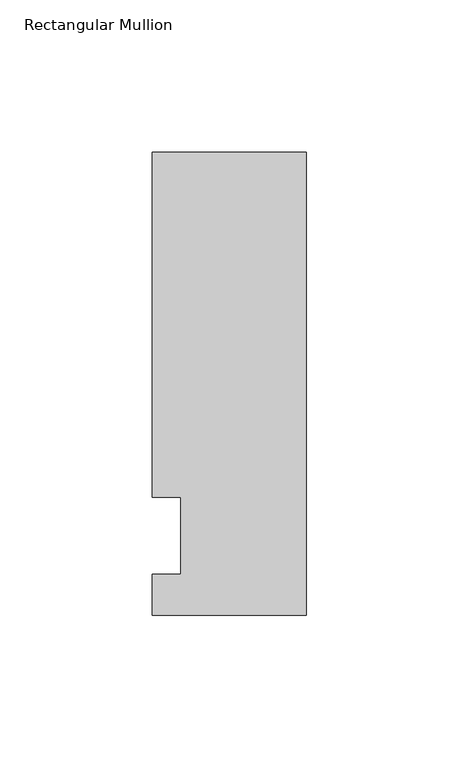
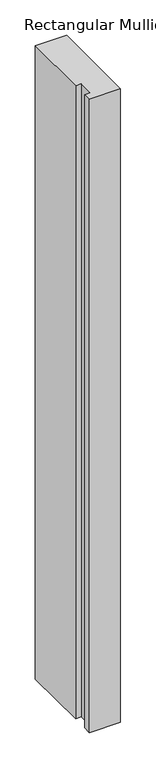
"""IFC4 building model written with IfcOpenShell, lengths in millimetres: member geometry, Rectangular Mullion."""

import ifcopenshell
import ifcopenshell.guid

model = None  # the IFC model being written
_history = None  # IfcOwnerHistory: only IFC2X3 demands one
_inside = {}  # id of a spatial element -> (the spatial element, [elements in it])
_under = {}  # id of a project, library or spatial element -> (it, [spatial elements below it])
_declared = {}  # id of a project -> (the project, [libraries it declares])
_typed = {}  # id of a type object -> (the type object, [elements of that type])
_made_of = {}  # id of a material, layer set ... -> (it, [elements and type objects made of it])


def new_model(schema):
    """Start an empty IFC model of exactly this schema.

    Asked for "IFC4X3", IfcOpenShell would pick the latest addendum, in which some entities
    have other attributes; the version numbers below select the first issue.
    IFC2X3 requires an IfcOwnerHistory on every rooted entity: one is made here for all.
    """
    global model, _history
    if schema == "IFC4X3":
        model = ifcopenshell.file(schema_version=(4, 3, 0, 0))
    else:
        model = ifcopenshell.file(schema=schema)
    _inside.clear()
    _under.clear()
    _declared.clear()
    _typed.clear()
    _made_of.clear()
    _history = None
    if model.schema == "IFC2X3":
        org = make("IfcOrganization", Name="unknown")
        user = make(
            "IfcPersonAndOrganization",
            ThePerson=make("IfcPerson", FamilyName="unknown"),
            TheOrganization=org,
        )
        app = make(
            "IfcApplication",
            ApplicationDeveloper=org,
            Version="unknown",
            ApplicationFullName="unknown",
            ApplicationIdentifier="unknown",
        )
        _history = make(
            "IfcOwnerHistory",
            OwningUser=user,
            OwningApplication=app,
            ChangeAction="ADDED",
            CreationDate=0,
        )
    return model


def make(cls, **values):
    """One entity of the class cls with the attributes given. An attribute that is None is left unset."""
    return model.create_entity(
        cls, **{name: value for name, value in values.items() if value is not None}
    )


def rooted(cls, **values):
    """An entity with a GlobalId (a new one), such as an element, a storey or a relation."""
    return make(cls, GlobalId=ifcopenshell.guid.new(), OwnerHistory=_history, **values)


def si_unit(unit_type, name, prefix=None):
    """IfcSIUnit, for example si_unit("LENGTHUNIT", "METRE", prefix="MILLI")."""
    return make("IfcSIUnit", UnitType=unit_type, Prefix=prefix, Name=name)


def assignment(units):
    """IfcUnitAssignment: the units of a project."""
    return None if units is None else make("IfcUnitAssignment", Units=units)


def point(xyz):
    """IfcCartesianPoint."""
    return None if xyz is None else make("IfcCartesianPoint", Coordinates=xyz)


def direction(xyz):
    """IfcDirection."""
    return None if xyz is None else make("IfcDirection", DirectionRatios=xyz)


def frame(location, z_axis=None, x_axis=None):
    """IfcAxis2Placement3D, a coordinate frame: its origin and axes. An axis left out is left unset."""
    return make(
        "IfcAxis2Placement3D",
        Location=point(location),
        Axis=direction(z_axis),
        RefDirection=direction(x_axis),
    )


def origin():
    """The frame at (0, 0, 0) with its axes left unset."""
    return frame((0.0, 0.0, 0.0))


def place(relative_to, where):
    """IfcLocalPlacement: puts the frame where relative to a parent placement (None: the world)."""
    return make(
        "IfcLocalPlacement", PlacementRelTo=relative_to, RelativePlacement=where
    )


def context(
    kind, dimensions, precision=None, world=None, true_north=None, identifier=None
):
    """IfcGeometricRepresentationContext, for example the 3D "Model" context."""
    return make(
        "IfcGeometricRepresentationContext",
        ContextIdentifier=identifier,
        ContextType=kind,
        CoordinateSpaceDimension=dimensions,
        Precision=precision,
        WorldCoordinateSystem=world,
        TrueNorth=true_north,
    )


def project(units=None, contexts=None):
    """IfcProject with its units and contexts."""
    return rooted(
        "IfcProject",
        Name="project",
        RepresentationContexts=contexts,
        UnitsInContext=assignment(units),
    )


def spatial(cls, under=None, at=None, **own):
    """A site, building, storey or space (cls), placed at a placement, below another one or the project."""
    s = rooted(cls, ObjectPlacement=at, **own)
    if under is not None:
        _under.setdefault(under.id(), (under, []))[1].append(s)
    return s


def polyline(points):
    """IfcPolyline through the points."""
    return make("IfcPolyline", Points=[point(p) for p in points])


def outline(outer, holes=None, kind="AREA"):
    """IfcArbitraryClosedProfileDef: a profile drawn as a closed curve; with holes, ...WithVoids."""
    if holes is None:
        return make("IfcArbitraryClosedProfileDef", ProfileType=kind, OuterCurve=outer)
    return make(
        "IfcArbitraryProfileDefWithVoids",
        ProfileType=kind,
        OuterCurve=outer,
        InnerCurves=holes,
    )


def extrude(swept, where, along, depth):
    """IfcExtrudedAreaSolid: the profile swept, set in the frame where, extruded along a direction by depth."""
    return make(
        "IfcExtrudedAreaSolid",
        SweptArea=swept,
        Position=where,
        ExtrudedDirection=direction(along),
        Depth=depth,
    )


def shape(context_of_items, identifier, shape_type, items):
    """IfcShapeRepresentation: the items that make up one representation, for example the "Body"."""
    return make(
        "IfcShapeRepresentation",
        ContextOfItems=context_of_items,
        RepresentationIdentifier=identifier,
        RepresentationType=shape_type,
        Items=items,
    )


def source(mapping_origin, context_of_items, identifier, shape_type, items):
    """IfcRepresentationMap: a shape defined once, which mapped items show again and again."""
    return make(
        "IfcRepresentationMap",
        MappingOrigin=mapping_origin,
        MappedRepresentation=shape(context_of_items, identifier, shape_type, items),
    )


def transform(
    local_origin,
    x_axis=None,
    y_axis=None,
    z_axis=None,
    scale=None,
    scale2=None,
    scale3=None,
    uniform=True,
):
    """IfcCartesianTransformationOperator3D, or its non-uniform kind. x_axis, y_axis, z_axis: its Axis1, 2, 3."""
    if uniform:
        return make(
            "IfcCartesianTransformationOperator3D",
            Axis1=direction(x_axis),
            Axis2=direction(y_axis),
            LocalOrigin=point(local_origin),
            Scale=scale,
            Axis3=direction(z_axis),
        )
    return make(
        "IfcCartesianTransformationOperator3DnonUniform",
        Axis1=direction(x_axis),
        Axis2=direction(y_axis),
        LocalOrigin=point(local_origin),
        Scale=scale,
        Axis3=direction(z_axis),
        Scale2=scale2,
        Scale3=scale3,
    )


def mapped(mapping_source, mapping_target):
    """IfcMappedItem: shows the shape of a source again, moved by a transform."""
    return make(
        "IfcMappedItem", MappingSource=mapping_source, MappingTarget=mapping_target
    )


def made_of(thing, what):
    """Note that an element or type object is made of a material, layer set ...; save() writes the relation."""
    if what is not None:
        _made_of.setdefault(what.id(), (what, []))[1].append(thing)
    return thing


def element(
    cls,
    number,
    at=None,
    inside=None,
    cuts=None,
    type_object=None,
    material=None,
    context=None,
    identifier="Body",
    shape_type=None,
    held_by="IfcProductDefinitionShape",
    body=None,
    shapes=None,
    **own,
):
    """One element of the class cls, such as IfcWall. Its Tag is "e" and its number.

    at: its placement. inside: the storey or other place that contains it. cuts: it is an
    opening in that element (IfcRelVoidsElement). A single representation is given by context,
    identifier, shape_type and body (its items); several are given by shapes. held_by: the class
    of the entity that holds the representations. save() writes the other relations.
    """
    e = rooted(cls, Tag="e%d" % number, ObjectPlacement=at, **own)
    if body is not None:
        shapes = [shape(context, identifier, shape_type, body)]
    if shapes is not None:
        e.Representation = make(held_by, Representations=shapes)
    if inside is not None:
        _inside.setdefault(inside.id(), (inside, []))[1].append(e)
    if cuts is not None:
        rooted(
            "IfcRelVoidsElement", RelatingBuildingElement=cuts, RelatedOpeningElement=e
        )
    if type_object is not None:
        _typed.setdefault(type_object.id(), (type_object, []))[1].append(e)
    return made_of(e, material)


def aggregate(whole, parts):
    """IfcRelAggregates: a whole, such as a stair, and the parts it consists of."""
    return rooted("IfcRelAggregates", RelatingObject=whole, RelatedObjects=parts)


def save(model, path):
    """Write the relations noted so far, then the file.

    IfcRelAggregates (storeys below a building ...), IfcRelContainedInSpatialStructure (elements
    in a storey), IfcRelDefinesByType, IfcRelAssociatesMaterial and IfcRelDeclares: one each for
    every whole, place, type object, material and project.
    """
    for whole, parts in _under.values():
        aggregate(whole, parts)
    for where, things in _inside.values():
        rooted(
            "IfcRelContainedInSpatialStructure",
            RelatedElements=things,
            RelatingStructure=where,
        )
    for kind, things in _typed.values():
        rooted("IfcRelDefinesByType", RelatedObjects=things, RelatingType=kind)
    for what, things in _made_of.values():
        rooted("IfcRelAssociatesMaterial", RelatedObjects=things, RelatingMaterial=what)
    for by, libraries in _declared.values():
        rooted("IfcRelDeclares", RelatingContext=by, RelatedDefinitions=libraries)
    model.write(path)


def rectangular_mullion_38df7635(model_context):
    return source(origin(), model_context, "Body", "SweptSolid", [
        extrude(outline(polyline([(-50.8, -26.19375), (-50.8, -12.7), (-41.275, -12.7), (-41.275, 12.7), (-50.8, 12.7), (-50.8, 126.20625), (0.0, 126.20625), (0.0, -26.19375), (-50.8, -26.19375)])), frame((0.0, 0.0, -1092.2), z_axis=(0.0, 0.0, 1.0), x_axis=(1.0, 0.0, 0.0)), (0.0, 0.0, 1.0), 1092.1923531),
    ])


if __name__ == "__main__":
    model = new_model("IFC4")
    model_context = context("Model", 3, world=origin())
    ifc_project = project(units=[si_unit("LENGTHUNIT", "METRE", prefix="MILLI")], contexts=[model_context])
    site = spatial("IfcSite", under=ifc_project)
    building = spatial("IfcBuilding", under=site)
    placement = place(None, origin())
    rectangular_mullion_shape = rectangular_mullion_38df7635(model_context)
    element("IfcMember", 1, ObjectType="Rectangular Mullion", at=placement, inside=building, context=model_context, shape_type="MappedRepresentation", body=[
        mapped(rectangular_mullion_shape, transform((0.0, 0.0, 0.0), x_axis=(1.0, 0.0, 0.0), y_axis=(0.0, 1.0, 0.0), z_axis=(0.0, 0.0, 1.0))),
    ])
    save(model, "model.ifc")
